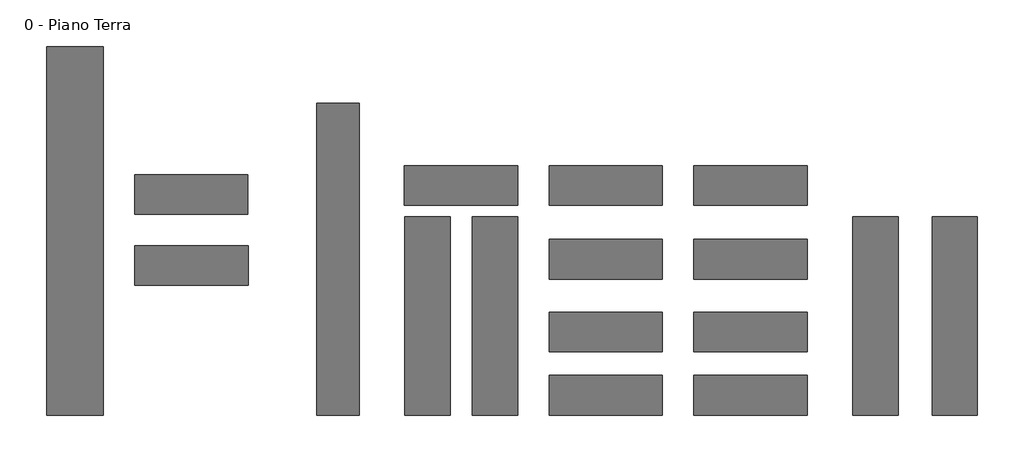
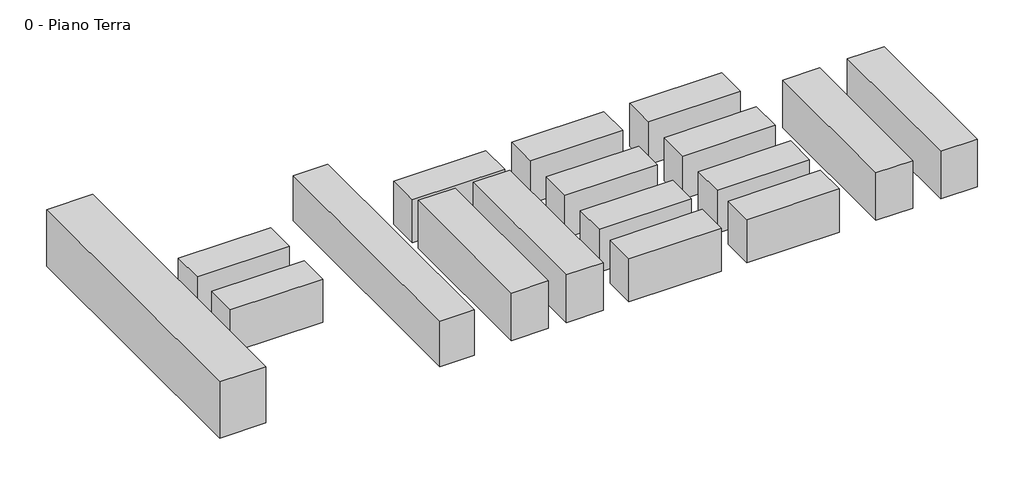
# One storey: 17 proxies.
"""IFC4 building model written with IfcOpenShell, lengths in millimetres."""

import ifcopenshell
import ifcopenshell.guid

model = None  # the IFC model being written
_history = None  # IfcOwnerHistory: only IFC2X3 demands one
_inside = {}  # id of a spatial element -> (the spatial element, [elements in it])
_under = {}  # id of a project, library or spatial element -> (it, [spatial elements below it])
_declared = {}  # id of a project -> (the project, [libraries it declares])
_typed = {}  # id of a type object -> (the type object, [elements of that type])
_made_of = {}  # id of a material, layer set ... -> (it, [elements and type objects made of it])


def new_model(schema):
    """Start an empty IFC model of exactly this schema.

    Asked for "IFC4X3", IfcOpenShell would pick the latest addendum, in which some entities
    have other attributes; the version numbers below select the first issue.
    IFC2X3 requires an IfcOwnerHistory on every rooted entity: one is made here for all.
    """
    global model, _history
    if schema == "IFC4X3":
        model = ifcopenshell.file(schema_version=(4, 3, 0, 0))
    else:
        model = ifcopenshell.file(schema=schema)
    _inside.clear()
    _under.clear()
    _declared.clear()
    _typed.clear()
    _made_of.clear()
    _history = None
    if model.schema == "IFC2X3":
        org = make("IfcOrganization", Name="unknown")
        user = make(
            "IfcPersonAndOrganization",
            ThePerson=make("IfcPerson", FamilyName="unknown"),
            TheOrganization=org,
        )
        app = make(
            "IfcApplication",
            ApplicationDeveloper=org,
            Version="unknown",
            ApplicationFullName="unknown",
            ApplicationIdentifier="unknown",
        )
        _history = make(
            "IfcOwnerHistory",
            OwningUser=user,
            OwningApplication=app,
            ChangeAction="ADDED",
            CreationDate=0,
        )
    return model


def make(cls, **values):
    """One entity of the class cls with the attributes given. An attribute that is None is left unset."""
    return model.create_entity(
        cls, **{name: value for name, value in values.items() if value is not None}
    )


def rooted(cls, **values):
    """An entity with a GlobalId (a new one), such as an element, a storey or a relation."""
    return make(cls, GlobalId=ifcopenshell.guid.new(), OwnerHistory=_history, **values)


def si_unit(unit_type, name, prefix=None):
    """IfcSIUnit, for example si_unit("LENGTHUNIT", "METRE", prefix="MILLI")."""
    return make("IfcSIUnit", UnitType=unit_type, Prefix=prefix, Name=name)


def assignment(units):
    """IfcUnitAssignment: the units of a project."""
    return None if units is None else make("IfcUnitAssignment", Units=units)


def point(xyz):
    """IfcCartesianPoint."""
    return None if xyz is None else make("IfcCartesianPoint", Coordinates=xyz)


def direction(xyz):
    """IfcDirection."""
    return None if xyz is None else make("IfcDirection", DirectionRatios=xyz)


def frame(location, z_axis=None, x_axis=None):
    """IfcAxis2Placement3D, a coordinate frame: its origin and axes. An axis left out is left unset."""
    return make(
        "IfcAxis2Placement3D",
        Location=point(location),
        Axis=direction(z_axis),
        RefDirection=direction(x_axis),
    )


def origin():
    """The frame at (0, 0, 0) with its axes left unset."""
    return frame((0.0, 0.0, 0.0))


def place(relative_to, where):
    """IfcLocalPlacement: puts the frame where relative to a parent placement (None: the world)."""
    return make(
        "IfcLocalPlacement", PlacementRelTo=relative_to, RelativePlacement=where
    )


def context(
    kind, dimensions, precision=None, world=None, true_north=None, identifier=None
):
    """IfcGeometricRepresentationContext, for example the 3D "Model" context."""
    return make(
        "IfcGeometricRepresentationContext",
        ContextIdentifier=identifier,
        ContextType=kind,
        CoordinateSpaceDimension=dimensions,
        Precision=precision,
        WorldCoordinateSystem=world,
        TrueNorth=true_north,
    )


def project(units=None, contexts=None):
    """IfcProject with its units and contexts."""
    return rooted(
        "IfcProject",
        Name="project",
        RepresentationContexts=contexts,
        UnitsInContext=assignment(units),
    )


def spatial(cls, under=None, at=None, **own):
    """A site, building, storey or space (cls), placed at a placement, below another one or the project."""
    s = rooted(cls, ObjectPlacement=at, **own)
    if under is not None:
        _under.setdefault(under.id(), (under, []))[1].append(s)
    return s


def polyline(points):
    """IfcPolyline through the points."""
    return make("IfcPolyline", Points=[point(p) for p in points])


def outline(outer, holes=None, kind="AREA"):
    """IfcArbitraryClosedProfileDef: a profile drawn as a closed curve; with holes, ...WithVoids."""
    if holes is None:
        return make("IfcArbitraryClosedProfileDef", ProfileType=kind, OuterCurve=outer)
    return make(
        "IfcArbitraryProfileDefWithVoids",
        ProfileType=kind,
        OuterCurve=outer,
        InnerCurves=holes,
    )


def extrude(swept, where, along, depth):
    """IfcExtrudedAreaSolid: the profile swept, set in the frame where, extruded along a direction by depth."""
    return make(
        "IfcExtrudedAreaSolid",
        SweptArea=swept,
        Position=where,
        ExtrudedDirection=direction(along),
        Depth=depth,
    )


def shape(context_of_items, identifier, shape_type, items):
    """IfcShapeRepresentation: the items that make up one representation, for example the "Body"."""
    return make(
        "IfcShapeRepresentation",
        ContextOfItems=context_of_items,
        RepresentationIdentifier=identifier,
        RepresentationType=shape_type,
        Items=items,
    )


def source(mapping_origin, context_of_items, identifier, shape_type, items):
    """IfcRepresentationMap: a shape defined once, which mapped items show again and again."""
    return make(
        "IfcRepresentationMap",
        MappingOrigin=mapping_origin,
        MappedRepresentation=shape(context_of_items, identifier, shape_type, items),
    )


def transform(
    local_origin,
    x_axis=None,
    y_axis=None,
    z_axis=None,
    scale=None,
    scale2=None,
    scale3=None,
    uniform=True,
):
    """IfcCartesianTransformationOperator3D, or its non-uniform kind. x_axis, y_axis, z_axis: its Axis1, 2, 3."""
    if uniform:
        return make(
            "IfcCartesianTransformationOperator3D",
            Axis1=direction(x_axis),
            Axis2=direction(y_axis),
            LocalOrigin=point(local_origin),
            Scale=scale,
            Axis3=direction(z_axis),
        )
    return make(
        "IfcCartesianTransformationOperator3DnonUniform",
        Axis1=direction(x_axis),
        Axis2=direction(y_axis),
        LocalOrigin=point(local_origin),
        Scale=scale,
        Axis3=direction(z_axis),
        Scale2=scale2,
        Scale3=scale3,
    )


def mapped(mapping_source, mapping_target):
    """IfcMappedItem: shows the shape of a source again, moved by a transform."""
    return make(
        "IfcMappedItem", MappingSource=mapping_source, MappingTarget=mapping_target
    )


def made_of(thing, what):
    """Note that an element or type object is made of a material, layer set ...; save() writes the relation."""
    if what is not None:
        _made_of.setdefault(what.id(), (what, []))[1].append(thing)
    return thing


def element(
    cls,
    number,
    at=None,
    inside=None,
    cuts=None,
    type_object=None,
    material=None,
    context=None,
    identifier="Body",
    shape_type=None,
    held_by="IfcProductDefinitionShape",
    body=None,
    shapes=None,
    **own,
):
    """One element of the class cls, such as IfcWall. Its Tag is "e" and its number.

    at: its placement. inside: the storey or other place that contains it. cuts: it is an
    opening in that element (IfcRelVoidsElement). A single representation is given by context,
    identifier, shape_type and body (its items); several are given by shapes. held_by: the class
    of the entity that holds the representations. save() writes the other relations.
    """
    e = rooted(cls, Tag="e%d" % number, ObjectPlacement=at, **own)
    if body is not None:
        shapes = [shape(context, identifier, shape_type, body)]
    if shapes is not None:
        e.Representation = make(held_by, Representations=shapes)
    if inside is not None:
        _inside.setdefault(inside.id(), (inside, []))[1].append(e)
    if cuts is not None:
        rooted(
            "IfcRelVoidsElement", RelatingBuildingElement=cuts, RelatedOpeningElement=e
        )
    if type_object is not None:
        _typed.setdefault(type_object.id(), (type_object, []))[1].append(e)
    return made_of(e, material)


def aggregate(whole, parts):
    """IfcRelAggregates: a whole, such as a stair, and the parts it consists of."""
    return rooted("IfcRelAggregates", RelatingObject=whole, RelatedObjects=parts)


def save(model, path):
    """Write the relations noted so far, then the file.

    IfcRelAggregates (storeys below a building ...), IfcRelContainedInSpatialStructure (elements
    in a storey), IfcRelDefinesByType, IfcRelAssociatesMaterial and IfcRelDeclares: one each for
    every whole, place, type object, material and project.
    """
    for whole, parts in _under.values():
        aggregate(whole, parts)
    for where, things in _inside.values():
        rooted(
            "IfcRelContainedInSpatialStructure",
            RelatedElements=things,
            RelatingStructure=where,
        )
    for kind, things in _typed.values():
        rooted("IfcRelDefinesByType", RelatedObjects=things, RelatingType=kind)
    for what, things in _made_of.values():
        rooted("IfcRelAssociatesMaterial", RelatedObjects=things, RelatingMaterial=what)
    for by, libraries in _declared.values():
        rooted("IfcRelDeclares", RelatingContext=by, RelatedDefinitions=libraries)
    model.write(path)


def fam1es_a_fd370016(model_context):
    return source(origin(), model_context, "Body", "SweptSolid", [
        extrude(outline(polyline([(20000.0, 7000.0), (20000.0, 0.0), (0.0, 0.0), (0.0, 7000.0), (20000.0, 7000.0)])), frame((0.0, 0.0, 100.0), z_axis=(0.0, 0.0, 1.0), x_axis=(1.0, 0.0, 0.0)), (0.0, 0.0, 1.0), 9900.0),
    ])


def fam1es_d_d413ad25(model_context):
    return source(origin(), model_context, "Body", "SweptSolid", [
        extrude(outline(polyline([(35000.0, 8000.0), (35000.0, 0.0), (0.0, 0.0), (0.0, 8000.0), (35000.0, 8000.0)])), frame((0.0, 0.0, -900.0), z_axis=(0.0, 0.0, 1.0), x_axis=(1.0, 0.0, 0.0)), (0.0, 0.0, 1.0), 10900.0),
    ])


def fam1es_e_835acbe5(model_context):
    return source(origin(), model_context, "Body", "SweptSolid", [
        extrude(outline(polyline([(55000.0, 7500.0), (55000.0, 0.0), (0.0, 0.0), (0.0, 7500.0), (55000.0, 7500.0)])), frame((0.0, 0.0, -400.0), z_axis=(0.0, 0.0, 1.0), x_axis=(1.0, 0.0, 0.0)), (0.0, 0.0, 1.0), 10400.0),
    ])


def fam1es_f_862266e0(model_context):
    return source(origin(), model_context, "Body", "SweptSolid", [
        extrude(outline(polyline([(65000.0, 10000.0), (65000.0, 0.0), (0.0, 0.0), (0.0, 10000.0), (65000.0, 10000.0)])), frame((0.0, 0.0, -2900.0), z_axis=(0.0, 0.0, 1.0), x_axis=(1.0, 0.0, 0.0)), (0.0, 0.0, 1.0), 12900.0),
    ])


model = new_model("IFC4")

# Units and contexts
model_context = context("Model", 3, world=origin())
ifc_project = project(units=[si_unit("LENGTHUNIT", "METRE", prefix="MILLI")], contexts=[model_context])

# Site, building, storey
site = spatial("IfcSite", under=ifc_project)
building = spatial("IfcBuilding", under=site)
storey = spatial("IfcBuildingStorey", under=building, Name="0 - Piano Terra", Elevation=0.0)

# Proxies
placement = place(None, origin())
fam1es_a_shape = fam1es_a_fd370016(model_context)
element("IfcBuildingElementProxy", 1, Name="fam1es : a", ObjectType="fam1es : a", at=placement, inside=storey, context=model_context, shape_type="MappedRepresentation", body=[
    mapped(fam1es_a_shape, transform((15887.470648, 6954.7395288, 0.0), x_axis=(1.0, 0.0, 0.0), y_axis=(0.0, 1.0, 0.0), z_axis=(0.0, 0.0, 1.0))),
])
element("IfcBuildingElementProxy", 2, Name="fam1es : a", ObjectType="fam1es : a", at=placement, inside=storey, context=model_context, shape_type="MappedRepresentation", body=[
    mapped(fam1es_a_shape, transform((41444.8263974, 6954.7395288, 0.0), x_axis=(1.0, 0.0, 0.0), y_axis=(0.0, 1.0, 0.0), z_axis=(0.0, 0.0, 1.0))),
])
element("IfcBuildingElementProxy", 3, Name="fam1es : a", ObjectType="fam1es : a", at=placement, inside=storey, context=model_context, shape_type="MappedRepresentation", body=[
    mapped(fam1es_a_shape, transform((67002.1821468, 6954.7395288, 0.0), x_axis=(1.0, 0.0, 0.0), y_axis=(0.0, 1.0, 0.0), z_axis=(0.0, 0.0, 1.0))),
])
element("IfcBuildingElementProxy", 4, Name="fam1es : a", ObjectType="fam1es : a", at=placement, inside=storey, context=model_context, shape_type="MappedRepresentation", body=[
    mapped(fam1es_a_shape, transform((41444.8263974, -6045.2604712, 0.0), x_axis=(1.0, 0.0, 0.0), y_axis=(0.0, 1.0, 0.0), z_axis=(0.0, 0.0, 1.0))),
])
element("IfcBuildingElementProxy", 5, Name="fam1es : a", ObjectType="fam1es : a", at=placement, inside=storey, context=model_context, shape_type="MappedRepresentation", body=[
    mapped(fam1es_a_shape, transform((67002.1821468, -6045.2604712, 0.0), x_axis=(1.0, 0.0, 0.0), y_axis=(0.0, 1.0, 0.0), z_axis=(0.0, 0.0, 1.0))),
])
element("IfcBuildingElementProxy", 6, Name="fam1es : b", ObjectType="fam1es : b", at=placement, inside=storey, context=model_context, shape_type="MappedRepresentation", body=[
    mapped(fam1es_a_shape, transform((41444.8263974, -18896.1902295, 0.0), x_axis=(1.0, 0.0, 0.0), y_axis=(0.0, 1.0, 0.0), z_axis=(0.0, 0.0, 1.0))),
])
element("IfcBuildingElementProxy", 7, Name="fam1es : b", ObjectType="fam1es : b", at=placement, inside=storey, context=model_context, shape_type="MappedRepresentation", body=[
    mapped(fam1es_a_shape, transform((67002.1821468, -18896.1902295, 0.0), x_axis=(1.0, 0.0, 0.0), y_axis=(0.0, 1.0, 0.0), z_axis=(0.0, 0.0, 1.0))),
])
element("IfcBuildingElementProxy", 8, Name="fam1es : c", ObjectType="fam1es : c", at=placement, inside=storey, context=model_context, shape_type="MappedRepresentation", body=[
    mapped(fam1es_a_shape, transform((41444.8263974, -30026.1830867, 0.0), x_axis=(1.0, 0.0, 0.0), y_axis=(0.0, 1.0, 0.0), z_axis=(0.0, 0.0, 1.0))),
])
element("IfcBuildingElementProxy", 9, Name="fam1es : c", ObjectType="fam1es : c", at=placement, inside=storey, context=model_context, shape_type="MappedRepresentation", body=[
    mapped(fam1es_a_shape, transform((67002.1821468, -30026.1830867, 0.0), x_axis=(1.0, 0.0, 0.0), y_axis=(0.0, 1.0, 0.0), z_axis=(0.0, 0.0, 1.0))),
])
element("IfcBuildingElementProxy", 10, Name="fam1es : c", ObjectType="fam1es : c", at=placement, inside=storey, context=model_context, shape_type="MappedRepresentation", body=[
    mapped(fam1es_a_shape, transform((-31670.3559483, 5358.3996636, 0.0), x_axis=(1.0, 0.0, 0.0), y_axis=(0.0, 1.0, 0.0), z_axis=(0.0, 0.0, 1.0))),
])
element("IfcBuildingElementProxy", 11, Name="fam1es : c", ObjectType="fam1es : c", at=placement, inside=storey, context=model_context, shape_type="MappedRepresentation", body=[
    mapped(fam1es_a_shape, transform((-31651.7896975, -7141.6003364, 0.0), x_axis=(1.0, 0.0, 0.0), y_axis=(0.0, 1.0, 0.0), z_axis=(0.0, 0.0, 1.0))),
])
fam1es_d_shape = fam1es_d_d413ad25(model_context)
element("IfcBuildingElementProxy", 12, Name="fam1es : d", ObjectType="fam1es : d", at=placement, inside=storey, context=model_context, shape_type="MappedRepresentation", body=[
    mapped(fam1es_d_shape, transform((103002.1821468, -30026.1830867, 900.0), x_axis=(0.0, 1.0, 0.0), y_axis=(-1.0, 0.0, 0.0), z_axis=(0.0, 0.0, 1.0))),
])
element("IfcBuildingElementProxy", 13, Name="fam1es : d", ObjectType="fam1es : d", at=placement, inside=storey, context=model_context, shape_type="MappedRepresentation", body=[
    mapped(fam1es_d_shape, transform((117002.1821468, -30026.1830867, 900.0), x_axis=(0.0, 1.0, 0.0), y_axis=(-1.0, 0.0, 0.0), z_axis=(0.0, 0.0, 1.0))),
])
element("IfcBuildingElementProxy", 14, Name="fam1es : d", ObjectType="fam1es : d", at=placement, inside=storey, context=model_context, shape_type="MappedRepresentation", body=[
    mapped(fam1es_d_shape, transform((24002.1821468, -30026.1830867, 1000.0), x_axis=(0.0, 1.0, 0.0), y_axis=(-1.0, 0.0, 0.0), z_axis=(0.0, 0.0, 1.0))),
])
element("IfcBuildingElementProxy", 15, Name="fam1es : d", ObjectType="fam1es : d", at=placement, inside=storey, context=model_context, shape_type="MappedRepresentation", body=[
    mapped(fam1es_d_shape, transform((35902.1821468, -30026.1830867, 1000.0), x_axis=(0.0, 1.0, 0.0), y_axis=(-1.0, 0.0, 0.0), z_axis=(0.0, 0.0, 1.0))),
])
fam1es_e_shape = fam1es_e_835acbe5(model_context)
element("IfcBuildingElementProxy", 16, Name="fam1es : e", ObjectType="fam1es : e", at=placement, inside=storey, context=model_context, shape_type="MappedRepresentation", body=[
    mapped(fam1es_e_shape, transform((502.1821468, 24973.8169133, 0.0), x_axis=(0.0, -1.0, 0.0), y_axis=(1.0, 0.0, 0.0), z_axis=(0.0, 0.0, 1.0))),
])
fam1es_f_shape = fam1es_f_862266e0(model_context)
element("IfcBuildingElementProxy", 17, Name="fam1es : f", ObjectType="fam1es : f", at=placement, inside=storey, context=model_context, shape_type="MappedRepresentation", body=[
    mapped(fam1es_f_shape, transform((-37186.0511809, -30026.1830867, 2800.0), x_axis=(0.0, 1.0000000000000002, 0.0), y_axis=(-1.0000000000000002, 0.0, 0.0), z_axis=(0.0, 0.0, 1.0))),
])

save(model, "model.ifc")
